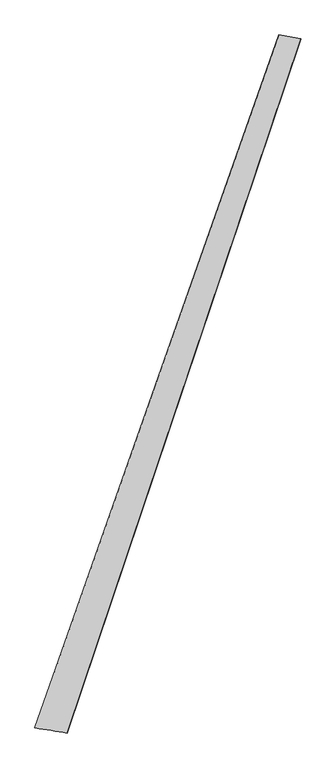
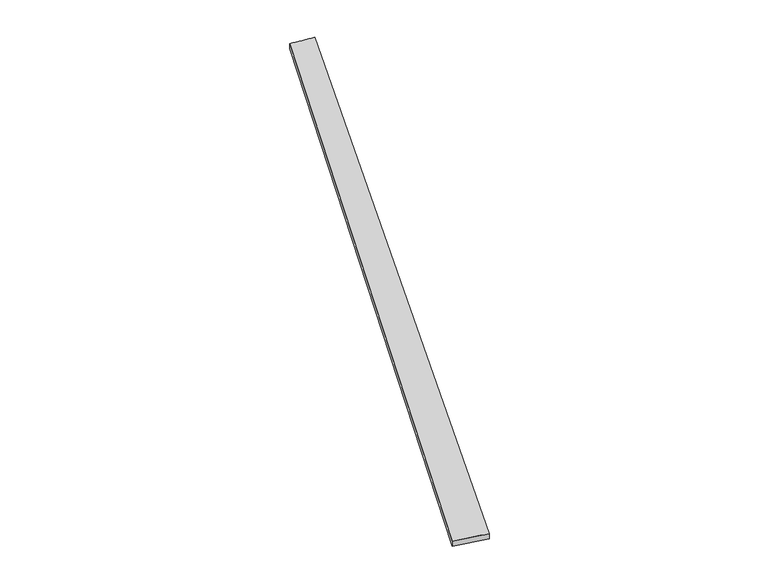
"""IFC4 building model written with IfcOpenShell, lengths in millimetres: proxy geometry."""

import ifcopenshell
import ifcopenshell.guid

model = None  # the IFC model being written
_history = None  # IfcOwnerHistory: only IFC2X3 demands one
_inside = {}  # id of a spatial element -> (the spatial element, [elements in it])
_under = {}  # id of a project, library or spatial element -> (it, [spatial elements below it])
_declared = {}  # id of a project -> (the project, [libraries it declares])
_typed = {}  # id of a type object -> (the type object, [elements of that type])
_made_of = {}  # id of a material, layer set ... -> (it, [elements and type objects made of it])


def new_model(schema):
    """Start an empty IFC model of exactly this schema.

    Asked for "IFC4X3", IfcOpenShell would pick the latest addendum, in which some entities
    have other attributes; the version numbers below select the first issue.
    IFC2X3 requires an IfcOwnerHistory on every rooted entity: one is made here for all.
    """
    global model, _history
    if schema == "IFC4X3":
        model = ifcopenshell.file(schema_version=(4, 3, 0, 0))
    else:
        model = ifcopenshell.file(schema=schema)
    _inside.clear()
    _under.clear()
    _declared.clear()
    _typed.clear()
    _made_of.clear()
    _history = None
    if model.schema == "IFC2X3":
        org = make("IfcOrganization", Name="unknown")
        user = make(
            "IfcPersonAndOrganization",
            ThePerson=make("IfcPerson", FamilyName="unknown"),
            TheOrganization=org,
        )
        app = make(
            "IfcApplication",
            ApplicationDeveloper=org,
            Version="unknown",
            ApplicationFullName="unknown",
            ApplicationIdentifier="unknown",
        )
        _history = make(
            "IfcOwnerHistory",
            OwningUser=user,
            OwningApplication=app,
            ChangeAction="ADDED",
            CreationDate=0,
        )
    return model


def make(cls, **values):
    """One entity of the class cls with the attributes given. An attribute that is None is left unset."""
    return model.create_entity(
        cls, **{name: value for name, value in values.items() if value is not None}
    )


def rooted(cls, **values):
    """An entity with a GlobalId (a new one), such as an element, a storey or a relation."""
    return make(cls, GlobalId=ifcopenshell.guid.new(), OwnerHistory=_history, **values)


def si_unit(unit_type, name, prefix=None):
    """IfcSIUnit, for example si_unit("LENGTHUNIT", "METRE", prefix="MILLI")."""
    return make("IfcSIUnit", UnitType=unit_type, Prefix=prefix, Name=name)


def assignment(units):
    """IfcUnitAssignment: the units of a project."""
    return None if units is None else make("IfcUnitAssignment", Units=units)


def point(xyz):
    """IfcCartesianPoint."""
    return None if xyz is None else make("IfcCartesianPoint", Coordinates=xyz)


def direction(xyz):
    """IfcDirection."""
    return None if xyz is None else make("IfcDirection", DirectionRatios=xyz)


def frame(location, z_axis=None, x_axis=None):
    """IfcAxis2Placement3D, a coordinate frame: its origin and axes. An axis left out is left unset."""
    return make(
        "IfcAxis2Placement3D",
        Location=point(location),
        Axis=direction(z_axis),
        RefDirection=direction(x_axis),
    )


def origin():
    """The frame at (0, 0, 0) with its axes left unset."""
    return frame((0.0, 0.0, 0.0))


def place(relative_to, where):
    """IfcLocalPlacement: puts the frame where relative to a parent placement (None: the world)."""
    return make(
        "IfcLocalPlacement", PlacementRelTo=relative_to, RelativePlacement=where
    )


def context(
    kind, dimensions, precision=None, world=None, true_north=None, identifier=None
):
    """IfcGeometricRepresentationContext, for example the 3D "Model" context."""
    return make(
        "IfcGeometricRepresentationContext",
        ContextIdentifier=identifier,
        ContextType=kind,
        CoordinateSpaceDimension=dimensions,
        Precision=precision,
        WorldCoordinateSystem=world,
        TrueNorth=true_north,
    )


def project(units=None, contexts=None):
    """IfcProject with its units and contexts."""
    return rooted(
        "IfcProject",
        Name="project",
        RepresentationContexts=contexts,
        UnitsInContext=assignment(units),
    )


def spatial(cls, under=None, at=None, **own):
    """A site, building, storey or space (cls), placed at a placement, below another one or the project."""
    s = rooted(cls, ObjectPlacement=at, **own)
    if under is not None:
        _under.setdefault(under.id(), (under, []))[1].append(s)
    return s


def shape(context_of_items, identifier, shape_type, items):
    """IfcShapeRepresentation: the items that make up one representation, for example the "Body"."""
    return make(
        "IfcShapeRepresentation",
        ContextOfItems=context_of_items,
        RepresentationIdentifier=identifier,
        RepresentationType=shape_type,
        Items=items,
    )


def source(mapping_origin, context_of_items, identifier, shape_type, items):
    """IfcRepresentationMap: a shape defined once, which mapped items show again and again."""
    return make(
        "IfcRepresentationMap",
        MappingOrigin=mapping_origin,
        MappedRepresentation=shape(context_of_items, identifier, shape_type, items),
    )


def transform(
    local_origin,
    x_axis=None,
    y_axis=None,
    z_axis=None,
    scale=None,
    scale2=None,
    scale3=None,
    uniform=True,
):
    """IfcCartesianTransformationOperator3D, or its non-uniform kind. x_axis, y_axis, z_axis: its Axis1, 2, 3."""
    if uniform:
        return make(
            "IfcCartesianTransformationOperator3D",
            Axis1=direction(x_axis),
            Axis2=direction(y_axis),
            LocalOrigin=point(local_origin),
            Scale=scale,
            Axis3=direction(z_axis),
        )
    return make(
        "IfcCartesianTransformationOperator3DnonUniform",
        Axis1=direction(x_axis),
        Axis2=direction(y_axis),
        LocalOrigin=point(local_origin),
        Scale=scale,
        Axis3=direction(z_axis),
        Scale2=scale2,
        Scale3=scale3,
    )


def mapped(mapping_source, mapping_target):
    """IfcMappedItem: shows the shape of a source again, moved by a transform."""
    return make(
        "IfcMappedItem", MappingSource=mapping_source, MappingTarget=mapping_target
    )


def made_of(thing, what):
    """Note that an element or type object is made of a material, layer set ...; save() writes the relation."""
    if what is not None:
        _made_of.setdefault(what.id(), (what, []))[1].append(thing)
    return thing


def element(
    cls,
    number,
    at=None,
    inside=None,
    cuts=None,
    type_object=None,
    material=None,
    context=None,
    identifier="Body",
    shape_type=None,
    held_by="IfcProductDefinitionShape",
    body=None,
    shapes=None,
    **own,
):
    """One element of the class cls, such as IfcWall. Its Tag is "e" and its number.

    at: its placement. inside: the storey or other place that contains it. cuts: it is an
    opening in that element (IfcRelVoidsElement). A single representation is given by context,
    identifier, shape_type and body (its items); several are given by shapes. held_by: the class
    of the entity that holds the representations. save() writes the other relations.
    """
    e = rooted(cls, Tag="e%d" % number, ObjectPlacement=at, **own)
    if body is not None:
        shapes = [shape(context, identifier, shape_type, body)]
    if shapes is not None:
        e.Representation = make(held_by, Representations=shapes)
    if inside is not None:
        _inside.setdefault(inside.id(), (inside, []))[1].append(e)
    if cuts is not None:
        rooted(
            "IfcRelVoidsElement", RelatingBuildingElement=cuts, RelatedOpeningElement=e
        )
    if type_object is not None:
        _typed.setdefault(type_object.id(), (type_object, []))[1].append(e)
    return made_of(e, material)


def aggregate(whole, parts):
    """IfcRelAggregates: a whole, such as a stair, and the parts it consists of."""
    return rooted("IfcRelAggregates", RelatingObject=whole, RelatedObjects=parts)


def save(model, path):
    """Write the relations noted so far, then the file.

    IfcRelAggregates (storeys below a building ...), IfcRelContainedInSpatialStructure (elements
    in a storey), IfcRelDefinesByType, IfcRelAssociatesMaterial and IfcRelDeclares: one each for
    every whole, place, type object, material and project.
    """
    for whole, parts in _under.values():
        aggregate(whole, parts)
    for where, things in _inside.values():
        rooted(
            "IfcRelContainedInSpatialStructure",
            RelatedElements=things,
            RelatingStructure=where,
        )
    for kind, things in _typed.values():
        rooted("IfcRelDefinesByType", RelatedObjects=things, RelatingType=kind)
    for what, things in _made_of.values():
        rooted("IfcRelAssociatesMaterial", RelatedObjects=things, RelatingMaterial=what)
    for by, libraries in _declared.values():
        rooted("IfcRelDeclares", RelatingContext=by, RelatedDefinitions=libraries)
    model.write(path)


def spline_surface(u_degree, v_degree, points, u_multiplicities, v_multiplicities, u_knots, v_knots, weights=None):
    """IfcBSplineSurfaceWithKnots; with weights, IfcRationalBSplineSurfaceWithKnots. points: one row for each step in u."""
    own = dict(
        UDegree=u_degree,
        VDegree=v_degree,
        ControlPointsList=[[point(p) for p in row] for row in points],
        SurfaceForm="UNSPECIFIED",
        UClosed=False,
        VClosed=False,
        SelfIntersect=False,
        UMultiplicities=u_multiplicities,
        VMultiplicities=v_multiplicities,
        UKnots=u_knots,
        VKnots=v_knots,
        KnotSpec="UNSPECIFIED",
    )
    if weights is None:
        return make("IfcBSplineSurfaceWithKnots", **own)
    return make("IfcRationalBSplineSurfaceWithKnots", WeightsData=weights, **own)


def advanced_brep(points, edges, surfaces, faces):
    """IfcAdvancedBrep: a solid bounded by faces that lie on surfaces and meet in shared edges.

    An edge is (start, end): straight between two places in points (the first is 0);
    or (start, end, curve); or (start, end, curve, False) where it runs against its curve.
    A face is (place in surfaces, loops), or (place, loops, False) where it looks against
    its surface's normal. A loop lists edges by number (the first is 1), with a minus sign
    where the edge is run from its end to its start. The first loop is the outer one.
    """
    corners = [point(p) for p in points]
    vertices = [make("IfcVertexPoint", VertexGeometry=c) for c in corners]
    made = []
    for start, end, *more in edges:
        made.append(
            make(
                "IfcEdgeCurve",
                EdgeStart=vertices[start],
                EdgeEnd=vertices[end],
                EdgeGeometry=more[0] if more else make("IfcPolyline", Points=[corners[start], corners[end]]),
                SameSense=more[1] if len(more) > 1 else True,
            )
        )
    hull = []
    for where, loops, *sense in faces:
        bounds = []
        for j, loop in enumerate(loops):
            ring = [make("IfcOrientedEdge", EdgeElement=made[abs(k) - 1], Orientation=k > 0) for k in loop]
            bounds.append(
                make(
                    "IfcFaceOuterBound" if j == 0 else "IfcFaceBound",
                    Bound=make("IfcEdgeLoop", EdgeList=ring),
                    Orientation=True,
                )
            )
        hull.append(make("IfcAdvancedFace", Bounds=bounds, FaceSurface=surfaces[where], SameSense=sense[0] if sense else True))
    return make("IfcAdvancedBrep", Outer=make("IfcClosedShell", CfsFaces=hull))


def generic_models_3db7d7cd(model_context):
    return source(origin(), model_context, "Body", "AdvancedBrep", [
        advanced_brep(
        [(-722.4650558, -1830.2448081, 2.0908428), (-722.0776795, -1830.3435062, 32.0881793), (711.5984643, 2237.9019046, 26.9111976), (712.8177183, 2237.4337349, -3.0603595), (-531.2635334, -1861.0601034, 27.8917375), (840.3778218, 2213.975074, 33.025647), (-532.1534421, -1860.7220562, -2.0931552), (841.8007796, 2213.5331294, 3.0626719)],
        [
            (0, 1),
            (1, 2),
            (2, 3),
            (3, 0),
            (1, 4),
            (4, 5),
            (5, 2),
            (4, 6),
            (6, 7),
            (7, 5),
            (6, 0),
            (3, 7),
        ],
        [
            spline_surface(1, 1, [[(-722.4650558, -1830.2448081, 2.0908428), (712.8177183, 2237.4337349, -3.0603595)], [(-722.0776795, -1830.3435062, 32.0881793), (711.5984643, 2237.9019046, 26.9111976)]], [2, 2], [2, 2], [0.0, 1.0], [0.0, 1.0]),
            spline_surface(1, 1, [[(-722.0776795, -1830.3435062, 32.0881793), (711.5984643, 2237.9019046, 26.9111976)], [(-531.2635334, -1861.0601034, 27.8917375), (840.3778218, 2213.975074, 33.025647)]], [2, 2], [2, 2], [0.0, 1.0], [0.0, 1.0]),
            spline_surface(1, 1, [[(-531.2635334, -1861.0601034, 27.8917375), (840.3778218, 2213.975074, 33.025647)], [(-532.1534421, -1860.7220562, -2.0931552), (841.8007796, 2213.5331294, 3.0626719)]], [2, 2], [2, 2], [0.0, 1.0], [0.0, 1.0]),
            spline_surface(1, 1, [[(-532.1534421, -1860.7220562, -2.0931552), (841.8007796, 2213.5331294, 3.0626719)], [(-722.4650558, -1830.2448081, 2.0908428), (712.8177183, 2237.4337349, -3.0603595)]], [2, 2], [2, 2], [0.0, 1.0], [0.0, 1.0]),
            spline_surface(1, 1, [[(711.5984643, 2237.9019046, 26.9111976), (712.8177183, 2237.4337349, -3.0603595)], [(840.3778218, 2213.975074, 33.025647), (841.8007796, 2213.5331294, 3.0626719)]], [2, 2], [2, 2], [0.0, 1.0], [0.0, 1.0]),
            spline_surface(1, 1, [[(-532.1534421, -1860.7220562, -2.0931552), (-722.4650558, -1830.2448081, 2.0908428)], [(-531.2635334, -1861.0601034, 27.8917375), (-722.0776795, -1830.3435062, 32.0881793)]], [2, 2], [2, 2], [0.0, 1.0], [0.0, 1.0]),
        ],
        [
            (0, [[1, 2, 3, 4]]),
            (1, [[5, 6, 7, -2]]),
            (2, [[8, 9, 10, -6]]),
            (3, [[11, -4, 12, -9]]),
            (4, [[-3, -7, -10, -12]]),
            (5, [[-11, -8, -5, -1]]),
        ],
    ),
    ])


if __name__ == "__main__":
    model = new_model("IFC4")
    model_context = context("Model", 3, world=origin())
    ifc_project = project(units=[si_unit("LENGTHUNIT", "METRE", prefix="MILLI")], contexts=[model_context])
    site = spatial("IfcSite", under=ifc_project)
    building = spatial("IfcBuilding", under=site)
    placement = place(None, origin())
    generic_models_shape = generic_models_3db7d7cd(model_context)
    element("IfcBuildingElementProxy", 1, Name="Generic Models", at=placement, inside=building, context=model_context, shape_type="MappedRepresentation", body=[
        mapped(generic_models_shape, transform((0.0, 0.0, 0.0), x_axis=(1.0, 0.0, 0.0), y_axis=(0.0, 1.0, 0.0), z_axis=(0.0, 0.0, 1.0))),
    ])
    save(model, "model.ifc")
